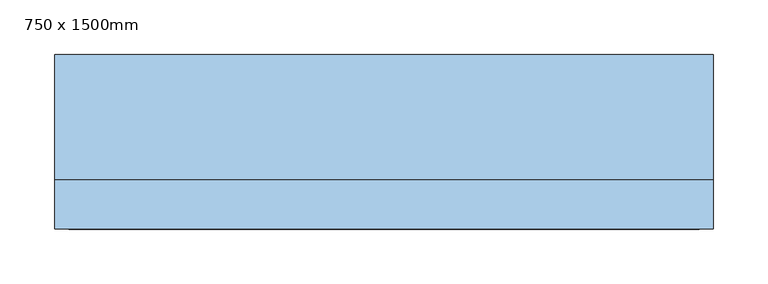
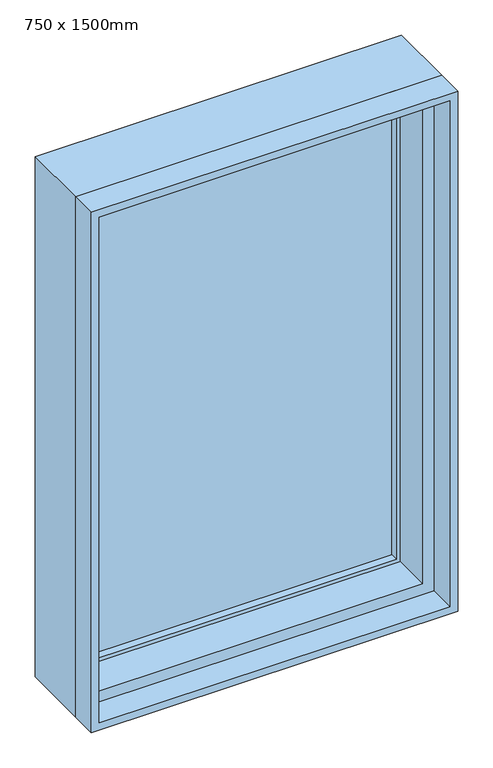
"""IFC4 building model written with IfcOpenShell, lengths in millimetres: window geometry, 750 x 1500mm."""

from ifc_helpers import new_model, si_unit, frame, origin, place, context, project, spatial, polyline, outline, extrude, faceted_brep, source, transform, mapped, element, save


def window_750_x_1500mm_7980305c(model_context):
    return source(origin(), model_context, "Body", "SolidModel", [
        extrude(outline(polyline([(261.9, 70.0), (261.9, 63.65), (-261.9, 63.65), (-261.9, 70.0), (261.9, 70.0)])), frame((0.0, 0.0, 938.1), z_axis=(0.0, 0.0, 1.0), x_axis=(1.0, 0.0, 0.0)), (0.0, 0.0, 1.0), 823.8),
        extrude(outline(polyline([(-261.9, 50.95), (-261.9, 57.3), (261.9, 57.3), (261.9, 50.95), (-261.9, 50.95)])), frame((0.0, 0.0, 938.1), z_axis=(0.0, 0.0, 1.0), x_axis=(1.0, 0.0, 0.0)), (0.0, 0.0, 1.0), 823.8),
        extrude(outline(polyline([(912.7, 287.3), (1787.3, 287.3), (1787.3, -287.3), (912.7, -287.3), (912.7, 287.3)]), holes=[polyline([(938.1, -261.9), (1761.9, -261.9), (1761.9, 261.9), (938.1, 261.9), (938.1, -261.9)])]), frame((0.0, 38.25, 0.0), z_axis=(0.0, 1.0, 0.0), x_axis=(0.0, 0.0, 1.0)), (0.0, 0.0, 1.0), 44.45),
        extrude(outline(polyline([(1800.0, -300.0), (900.0, -300.0), (900.0, 300.0), (1800.0, 300.0), (1800.0, -300.0)]), holes=[polyline([(1787.3, 287.3), (912.7, 287.3), (912.7, -287.3), (1787.3, -287.3), (1787.3, 287.3)])]), frame((0.0, -70.0, 0.0), z_axis=(0.0, 1.0, 0.0), x_axis=(0.0, 0.0, 1.0)), (0.0, 0.0, 1.0), 44.75),
        faceted_brep([(300.0, -25.25, 1800.0), (300.0, 89.05, 1800.0), (-300.0, 89.05, 1800.0), (-300.0, -25.25, 1800.0), (-300.0, 89.05, 900.0), (-300.0, -25.25, 900.0), (300.0, 89.05, 900.0), (300.0, -25.25, 900.0), (268.25, -25.25, 1768.25), (268.25, -25.25, 931.75), (-268.25, -25.25, 931.75), (-268.25, -25.25, 1768.25), (-287.3, 89.05, 1787.3), (-287.3, 89.05, 912.7), (287.3, 89.05, 912.7), (287.3, 89.05, 1787.3), (268.25, 38.25, 1768.25), (-268.25, 38.25, 1768.25), (287.3, 38.25, 1787.3), (-287.3, 38.25, 1787.3), (-268.25, 38.25, 931.75), (-287.3, 38.25, 912.7), (268.25, 38.25, 931.75), (287.3, 38.25, 912.7)], [[[0, 1, 2, 3]], [[3, 2, 4, 5]], [[5, 4, 6, 7]], [[3, 5, 7, 0], [8, 9, 10, 11]], [[7, 6, 1, 0]], [[1, 6, 4, 2], [12, 13, 14, 15]], [[16, 8, 11, 17]], [[15, 18, 19, 12]], [[17, 11, 10, 20]], [[12, 19, 21, 13]], [[20, 10, 9, 22]], [[13, 21, 23, 14]], [[22, 9, 8, 16]], [[18, 23, 21, 19], [17, 20, 22, 16]], [[14, 23, 18, 15]]]),
    ])


if __name__ == "__main__":
    model = new_model("IFC4")
    model_context = context("Model", 3, world=origin())
    ifc_project = project(units=[si_unit("LENGTHUNIT", "METRE", prefix="MILLI")], contexts=[model_context])
    site = spatial("IfcSite", under=ifc_project)
    building = spatial("IfcBuilding", under=site)
    placement = place(None, origin())
    window_750_x_1500mm_shape = window_750_x_1500mm_7980305c(model_context)
    element("IfcWindow", 1, ObjectType="750 x 1500mm", at=placement, inside=building, context=model_context, shape_type="MappedRepresentation", body=[
        mapped(window_750_x_1500mm_shape, transform((0.0, 0.0, 0.0), x_axis=(1.0, 0.0, 0.0), y_axis=(0.0, 1.0, 0.0), z_axis=(0.0, 0.0, 1.0))),
    ])
    save(model, "model.ifc")
